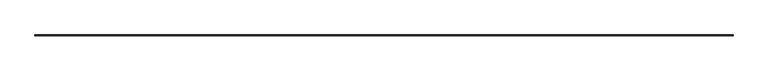
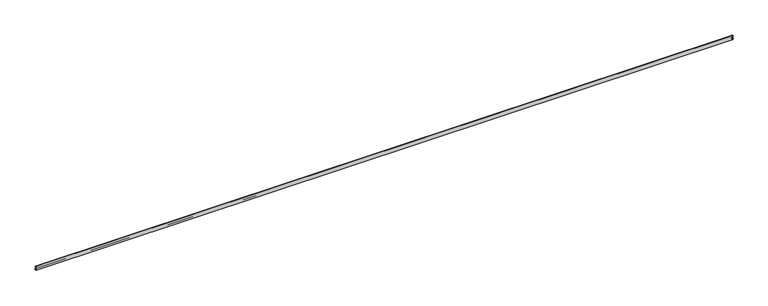
"""IFC4 building model written with IfcOpenShell, lengths in millimetres: railing geometry."""

from ifc_helpers import new_model, si_unit, frame, origin, place, context, project, spatial, polyline, circle_curve, ellipse_curve, source, transform, mapped, element, save
from ifc_brep_helpers import plane_surface, cylinder_surface, revolved_surface, advanced_brep


def railing_8138ef07(model_context):
    return source(origin(), model_context, "Body", "AdvancedBrep", [
        advanced_brep(
        [(25093.5030419, 70164.8132723, 628.2495183), (25095.28959, 70166.5998204, 630.2053183), (6765.6431538, 70166.5998204, 630.2053183), (6767.4297019, 70164.8132723, 628.2495183), (25095.28959, 70166.5998204, 629.1385183), (6765.6431538, 70166.5998204, 629.1385183), (25096.3027406, 70167.612971, 629.1385183), (6764.6300032, 70167.612971, 629.1385183), (25097.2772214, 70168.5874518, 630.2053183), (6763.6555224, 70168.5874518, 630.2053183), (25097.2772214, 70168.5874518, 629.1385183), (6763.6555224, 70168.5874518, 629.1385183), (25098.3290419, 70169.6392723, 629.1385183), (6762.6037019, 70169.6392723, 629.1385183), (25098.3290419, 70169.6392723, 630.6330617), (6762.6037019, 70169.6392723, 630.6330617), (25098.3290419, 70169.6392723, 625.8659749), (6762.6037019, 70169.6392723, 625.8659749), (25098.3290419, 70169.6392723, 627.3605183), (6762.6037019, 70169.6392723, 627.3605183), (25097.2772214, 70168.5874518, 627.3605183), (6763.6555224, 70168.5874518, 627.3605183), (25097.2772214, 70168.5874518, 626.2937183), (6763.6555224, 70168.5874518, 626.2937183), (25096.3027406, 70167.612971, 627.3605183), (6764.6300032, 70167.612971, 627.3605183), (25095.28959, 70166.5998204, 627.3605183), (6765.6431538, 70166.5998204, 627.3605183), (25095.28959, 70166.5998204, 626.2937183), (6765.6431538, 70166.5998204, 626.2937183), (25095.28959, 70144.9828523, 630.2053183), (25093.5030419, 70144.9828523, 628.2495183), (25095.28959, 70144.9828523, 626.2937183), (25095.28959, 70144.9828523, 627.3605183), (25096.3027406, 70144.9828523, 627.3605183), (25097.2772214, 70144.9828523, 626.2937183), (25097.2772214, 70144.9828523, 627.3605183), (25098.3290419, 70144.9828523, 627.3605183), (25098.3290419, 70144.9828523, 625.8659749), (25098.3290419, 70144.9828523, 630.6330617), (25098.3290419, 70144.9828523, 629.1385183), (25097.2772214, 70144.9828523, 629.1385183), (25097.2772214, 70144.9828523, 630.2053183), (25096.3027406, 70144.9828523, 629.1385183), (25095.28959, 70144.9828523, 629.1385183), (6765.6431538, 70144.9828523, 630.2053183), (6765.6431538, 70144.9828523, 629.1385183), (6764.6300032, 70144.9828523, 629.1385183), (6763.6555224, 70144.9828523, 630.2053183), (6763.6555224, 70144.9828523, 629.1385183), (6762.6037019, 70144.9828523, 629.1385183), (6762.6037019, 70144.9828523, 630.6330617), (6762.6037019, 70144.9828523, 625.8659749), (6762.6037019, 70144.9828523, 627.3605183), (6763.6555224, 70144.9828523, 627.3605183), (6763.6555224, 70144.9828523, 626.2937183), (6764.6300032, 70144.9828523, 627.3605183), (6765.6431538, 70144.9828523, 627.3605183), (6765.6431538, 70144.9828523, 626.2937183), (6767.4297019, 70144.9828523, 628.2495183)],
        [
            (0, 1),
            (1, 2),
            (2, 3),
            (3, 0),
            (1, 4),
            (4, 5),
            (5, 2),
            (4, 6),
            (6, 7),
            (7, 5),
            (6, 8),
            (8, 9),
            (9, 7),
            (8, 10),
            (10, 11),
            (11, 9),
            (10, 12),
            (12, 13),
            (13, 11),
            (12, 14),
            (14, 15),
            (15, 13),
            (14, 16, ellipse_curve(frame((25097.7575419, 70169.0677723, 628.2495183), z_axis=(-0.7071067811865461, 0.7071067811865488, 0.0), x_axis=(0.7071067811865489, 0.707106781186546, 0.0)), 3.4663789, 2.4511)),
            (16, 17),
            (17, 15, ellipse_curve(frame((6763.1752019, 70169.0677723, 628.2495183), z_axis=(0.7071067811865488, 0.7071067811865461, 0.0), x_axis=(0.7071067811865462, -0.7071067811865487, 0.0)), 3.4663789, 2.4511)),
            (16, 18),
            (18, 19),
            (19, 17),
            (18, 20),
            (20, 21),
            (21, 19),
            (20, 22),
            (22, 23),
            (23, 21),
            (22, 24),
            (24, 25),
            (25, 23),
            (24, 26),
            (26, 27),
            (27, 25),
            (26, 28),
            (28, 29),
            (29, 27),
            (28, 0),
            (3, 29),
            (30, 31),
            (31, 32),
            (32, 33),
            (33, 34),
            (34, 35),
            (35, 36),
            (36, 37),
            (37, 38),
            (38, 39, circle_curve(frame((25097.7575419, 70144.9828523, 628.2495183), z_axis=(0.0, -1.0, 0.0), x_axis=(0.23316062176171728, 0.0, 0.972438236835476)), 2.4511)),
            (39, 40),
            (40, 41),
            (41, 42),
            (42, 43),
            (43, 44),
            (44, 30),
            (32, 28),
            (26, 33),
            (31, 0),
            (45, 46),
            (46, 47),
            (47, 48),
            (48, 49),
            (49, 50),
            (50, 51),
            (51, 52, circle_curve(frame((6763.1752019, 70144.9828523, 628.2495183), z_axis=(0.0, -1.0, 0.0), x_axis=(-0.23316062176171728, 0.0, 0.972438236835476)), 2.4511)),
            (52, 53),
            (53, 54),
            (54, 55),
            (55, 56),
            (56, 57),
            (57, 58),
            (58, 59),
            (59, 45),
            (29, 58),
            (57, 27),
            (3, 59),
            (30, 1),
            (24, 34),
            (22, 35),
            (20, 36),
            (18, 37),
            (16, 38),
            (14, 39),
            (12, 40),
            (10, 41),
            (8, 42),
            (6, 43),
            (4, 44),
            (2, 45),
            (56, 25),
            (55, 23),
            (54, 21),
            (53, 19),
            (52, 17),
            (51, 15),
            (50, 13),
            (49, 11),
            (48, 9),
            (47, 7),
            (46, 5),
        ],
        [
            plane_surface(frame((25095.28959, 70166.5998204, 630.2053183), z_axis=(0.0, -0.7383317776040185, 0.6744376814651523), x_axis=(-1.0, 0.0, 0.0))),
            plane_surface(frame((25095.28959, 70166.5998204, 629.1385183), z_axis=(0.0, 1.0, 0.0), x_axis=(-1.0, 0.0, 0.0))),
            plane_surface(frame((25096.3027406, 70167.612971, 629.1385183), z_axis=(0.0, 0.0, 1.0), x_axis=(-1.0, 0.0, 0.0))),
            plane_surface(frame((25097.2772214, 70168.5874518, 630.2053183), z_axis=(0.0, -0.7383317776039393, 0.674437681465239), x_axis=(-1.0, 0.0, 0.0))),
            plane_surface(frame((25097.2772214, 70168.5874518, 629.1385183), z_axis=(0.0, 1.0, 0.0), x_axis=(-1.0, 0.0, 0.0))),
            plane_surface(frame((25098.3290419, 70169.6392723, 629.1385183), z_axis=(0.0, 0.0, 1.0), x_axis=(-1.0, 0.0, 0.0))),
            plane_surface(frame((25098.3290419, 70169.6392723, 630.6330617), z_axis=(0.0, -1.0, 0.0), x_axis=(-1.0, 0.0, 0.0))),
            cylinder_surface(frame((25074.4663719, 70169.0677723, 628.2495183), z_axis=(1.0, 0.0, 0.0), x_axis=(0.0, 0.23316062176171728, 0.972438236835476)), 2.4511),
            plane_surface(frame((25098.3290419, 70169.6392723, 627.3605183), z_axis=(0.0, -1.0, 0.0), x_axis=(-1.0, 0.0, 0.0))),
            plane_surface(frame((25097.2772214, 70168.5874518, 627.3605183), z_axis=(0.0, 0.0, -1.0), x_axis=(-1.0, 0.0, 0.0))),
            plane_surface(frame((25097.2772214, 70168.5874518, 626.2937183), z_axis=(0.0, 1.0, 0.0), x_axis=(-1.0, 0.0, 0.0))),
            plane_surface(frame((25096.3027406, 70167.612971, 627.3605183), z_axis=(0.0, -0.7383317776039393, -0.674437681465239), x_axis=(-1.0, 0.0, 0.0))),
            plane_surface(frame((25095.28959, 70166.5998204, 627.3605183), z_axis=(0.0, 0.0, -1.0), x_axis=(-1.0, 0.0, 0.0))),
            plane_surface(frame((25095.28959, 70166.5998204, 626.2937183), z_axis=(0.0, 1.0, 0.0), x_axis=(-1.0, 0.0, 0.0))),
            plane_surface(frame((25093.5030419, 70164.8132723, 628.2495183), z_axis=(0.0, -0.7383317776040185, -0.6744376814651523), x_axis=(-1.0, 0.0, 0.0))),
            plane_surface(frame((25074.4663719, 70144.9828523, 711.2), z_axis=(0.0, -1.0, 0.0), x_axis=(0.0, 0.0, 1.0))),
            plane_surface(frame((25095.28959, 70144.9828523, 626.2937183), z_axis=(1.0, 0.0, 0.0), x_axis=(0.0, 1.0, 0.0))),
            plane_surface(frame((25093.5030419, 70144.9828523, 628.2495183), z_axis=(-0.7383317776040185, 0.0, -0.6744376814651523), x_axis=(0.0, 1.0, 0.0))),
            plane_surface(frame((6786.4663719, 70144.9828523, 711.2), z_axis=(0.0, -1.0, 0.0), x_axis=(0.0, 0.0, -1.0))),
            plane_surface(frame((6765.6431538, 70166.5998204, 626.2937183), z_axis=(-1.0, 0.0, 0.0), x_axis=(0.0, -1.0, 0.0))),
            plane_surface(frame((6767.4297019, 70164.8132723, 628.2495183), z_axis=(0.7383317776040185, 0.0, -0.6744376814651523), x_axis=(0.0, -1.0, 0.0))),
            plane_surface(frame((25095.28959, 70144.9828523, 630.2053183), z_axis=(-0.7383317776040185, 0.0, 0.6744376814651523), x_axis=(0.0, 1.0, 0.0))),
            plane_surface(frame((25095.28959, 70144.9828523, 627.3605183), z_axis=(0.0, 0.0, -1.0), x_axis=(0.0, 1.0, 0.0))),
            plane_surface(frame((25096.3027406, 70144.9828523, 627.3605183), z_axis=(-0.7383317776039393, 0.0, -0.674437681465239), x_axis=(0.0, 1.0, 0.0))),
            plane_surface(frame((25097.2772214, 70144.9828523, 626.2937183), z_axis=(1.0, 0.0, 0.0), x_axis=(0.0, 1.0, 0.0))),
            plane_surface(frame((25097.2772214, 70144.9828523, 627.3605183), z_axis=(0.0, 0.0, -1.0), x_axis=(0.0, 1.0, 0.0))),
            plane_surface(frame((25098.3290419, 70144.9828523, 627.3605183), z_axis=(-1.0, 0.0, 0.0), x_axis=(0.0, 1.0, 0.0))),
            cylinder_surface(frame((25097.7575419, 70144.9828523, 628.2495183), z_axis=(0.0, -1.0, 0.0), x_axis=(0.23316062176171728, 0.0, 0.972438236835476)), 2.4511),
            plane_surface(frame((25098.3290419, 70144.9828523, 630.6330617), z_axis=(-1.0, 0.0, 0.0), x_axis=(0.0, 1.0, 0.0))),
            plane_surface(frame((25098.3290419, 70144.9828523, 629.1385183), z_axis=(0.0, 0.0, 1.0), x_axis=(0.0, 1.0, 0.0))),
            plane_surface(frame((25097.2772214, 70144.9828523, 629.1385183), z_axis=(1.0, 0.0, 0.0), x_axis=(0.0, 1.0, 0.0))),
            plane_surface(frame((25097.2772214, 70144.9828523, 630.2053183), z_axis=(-0.7383317776039393, 0.0, 0.674437681465239), x_axis=(0.0, 1.0, 0.0))),
            plane_surface(frame((25096.3027406, 70144.9828523, 629.1385183), z_axis=(0.0, 0.0, 1.0), x_axis=(0.0, 1.0, 0.0))),
            plane_surface(frame((25095.28959, 70144.9828523, 629.1385183), z_axis=(1.0, 0.0, 0.0), x_axis=(0.0, 1.0, 0.0))),
            plane_surface(frame((6765.6431538, 70166.5998204, 630.2053183), z_axis=(0.7383317776040185, 0.0, 0.6744376814651523), x_axis=(0.0, -1.0, 0.0))),
            plane_surface(frame((6765.6431538, 70166.5998204, 627.3605183), z_axis=(0.0, 0.0, -1.0), x_axis=(0.0, -1.0, 0.0))),
            plane_surface(frame((6764.6300032, 70167.612971, 627.3605183), z_axis=(0.7383317776039393, 0.0, -0.674437681465239), x_axis=(0.0, -1.0, 0.0))),
            plane_surface(frame((6763.6555224, 70168.5874518, 626.2937183), z_axis=(-1.0, 0.0, 0.0), x_axis=(0.0, -1.0, 0.0))),
            plane_surface(frame((6763.6555224, 70168.5874518, 627.3605183), z_axis=(0.0, 0.0, -1.0), x_axis=(0.0, -1.0, 0.0))),
            plane_surface(frame((6762.6037019, 70169.6392723, 627.3605183), z_axis=(1.0, 0.0, 0.0), x_axis=(0.0, -1.0, 0.0))),
            cylinder_surface(frame((6763.1752019, 70145.7766023, 628.2495183), z_axis=(0.0, 1.0, 0.0), x_axis=(-0.23316062176171728, 0.0, 0.972438236835476)), 2.4511),
            plane_surface(frame((6762.6037019, 70169.6392723, 630.6330617), z_axis=(1.0, 0.0, 0.0), x_axis=(0.0, -1.0, 0.0))),
            plane_surface(frame((6762.6037019, 70169.6392723, 629.1385183), z_axis=(0.0, 0.0, 1.0), x_axis=(0.0, -1.0, 0.0))),
            plane_surface(frame((6763.6555224, 70168.5874518, 629.1385183), z_axis=(-1.0, 0.0, 0.0), x_axis=(0.0, -1.0, 0.0))),
            plane_surface(frame((6763.6555224, 70168.5874518, 630.2053183), z_axis=(0.7383317776039393, 0.0, 0.674437681465239), x_axis=(0.0, -1.0, 0.0))),
            plane_surface(frame((6764.6300032, 70167.612971, 629.1385183), z_axis=(0.0, 0.0, 1.0), x_axis=(0.0, -1.0, 0.0))),
            plane_surface(frame((6765.6431538, 70166.5998204, 629.1385183), z_axis=(-1.0, 0.0, 0.0), x_axis=(0.0, -1.0, 0.0))),
        ],
        [
            (0, [[1, 2, 3, 4]]),
            (1, [[5, 6, 7, -2]]),
            (2, [[8, 9, 10, -6]]),
            (3, [[11, 12, 13, -9]]),
            (4, [[14, 15, 16, -12]]),
            (5, [[17, 18, 19, -15]]),
            (6, [[20, 21, 22, -18]]),
            (7, [[23, 24, 25, -21]]),
            (8, [[26, 27, 28, -24]]),
            (9, [[29, 30, 31, -27]]),
            (10, [[32, 33, 34, -30]]),
            (11, [[35, 36, 37, -33]]),
            (12, [[38, 39, 40, -36]]),
            (13, [[41, 42, 43, -39]]),
            (14, [[44, -4, 45, -42]]),
            (15, [[46, 47, 48, 49, 50, 51, 52, 53, 54, 55, 56, 57, 58, 59, 60]]),
            (16, [[-48, 61, -41, 62]]),
            (17, [[-47, 63, -44, -61]]),
            (18, [[64, 65, 66, 67, 68, 69, 70, 71, 72, 73, 74, 75, 76, 77, 78]]),
            (19, [[-43, 79, -76, 80]]),
            (20, [[-45, 81, -77, -79]]),
            (21, [[-46, 82, -1, -63]]),
            (22, [[-49, -62, -38, 83]]),
            (23, [[-50, -83, -35, 84]]),
            (24, [[-51, -84, -32, 85]]),
            (25, [[-52, -85, -29, 86]]),
            (26, [[-53, -86, -26, 87]]),
            (27, [[-54, -87, -23, 88]]),
            (28, [[-55, -88, -20, 89]]),
            (29, [[-56, -89, -17, 90]]),
            (30, [[-57, -90, -14, 91]]),
            (31, [[-58, -91, -11, 92]]),
            (32, [[-59, -92, -8, 93]]),
            (33, [[-60, -93, -5, -82]]),
            (34, [[-3, 94, -78, -81]]),
            (35, [[-40, -80, -75, 95]]),
            (36, [[-37, -95, -74, 96]]),
            (37, [[-34, -96, -73, 97]]),
            (38, [[-31, -97, -72, 98]]),
            (39, [[-28, -98, -71, 99]]),
            (40, [[-25, -99, -70, 100]]),
            (41, [[-22, -100, -69, 101]]),
            (42, [[-19, -101, -68, 102]]),
            (43, [[-16, -102, -67, 103]]),
            (44, [[-13, -103, -66, 104]]),
            (45, [[-10, -104, -65, 105]]),
            (46, [[-7, -105, -64, -94]]),
        ],
    ),
        advanced_brep(
        [(25096.9235713, 70144.9828523, 634.9946672), (25084.8450539, 70144.9828523, 677.657434), (25085.3739098, 70144.9828523, 678.5316951), (25088.5517246, 70144.9828523, 683.7467091), (25089.0204444, 70144.9828523, 684.5923437), (25091.6652084, 70144.9828523, 690.39164), (25092.1400859, 70144.9828523, 691.3720659), (25098.2788719, 70144.9828523, 700.2748284), (25098.2788719, 70144.9828523, 702.46875), (25089.5476219, 70144.9828523, 711.2), (25074.4663719, 70144.9828523, 711.2), (25074.4663719, 70144.9828523, 596.9), (25085.0073719, 70144.9828523, 596.9), (25090.5636219, 70144.9828523, 602.45625), (25090.5636219, 70144.9828523, 607.3037049), (25091.7838967, 70144.9828523, 609.805639), (25092.8651668, 70144.9828523, 613.2367436), (25093.5590551, 70144.9828523, 616.3095463), (25098.2065631, 70144.9828523, 626.6620183), (25090.5865631, 70144.9828523, 626.6620183), (25090.5865631, 70144.9828523, 629.8370183), (25098.2065631, 70144.9828523, 629.8370183), (6764.0091725, 70144.9828523, 634.9946672), (6762.7261807, 70144.9828523, 629.8370183), (6770.3461807, 70144.9828523, 629.8370183), (6770.3461807, 70144.9828523, 626.6620183), (6762.7261807, 70144.9828523, 626.6620183), (6767.3736887, 70144.9828523, 616.3095463), (6768.067577, 70144.9828523, 613.2367436), (6769.1488471, 70144.9828523, 609.805639), (6770.3691219, 70144.9828523, 607.3037049), (6770.3691219, 70144.9828523, 602.45625), (6775.9253719, 70144.9828523, 596.9), (6786.4663719, 70144.9828523, 596.9), (6786.4663719, 70144.9828523, 711.2), (6771.3851219, 70144.9828523, 711.2), (6762.6538719, 70144.9828523, 702.46875), (6762.6538719, 70144.9828523, 700.2748284), (6768.7926579, 70144.9828523, 691.3720659), (6769.2675355, 70144.9828523, 690.39164), (6771.9122995, 70144.9828523, 684.5923437), (6772.3810193, 70144.9828523, 683.7467091), (6775.558834, 70144.9828523, 678.5316951), (6776.0876899, 70144.9828523, 677.657434), (25096.9235713, 70168.2338017, 634.9946672), (25098.2065631, 70169.5167935, 629.8370183), (6762.7261807, 70169.5167935, 629.8370183), (6764.0091725, 70168.2338017, 634.9946672), (25093.5590551, 70164.8692855, 616.3095463), (25092.8651668, 70164.1753972, 613.2367436), (6768.067577, 70164.1753972, 613.2367436), (6767.3736887, 70164.8692855, 616.3095463), (25091.7838967, 70163.0941271, 609.805639), (6769.1488471, 70163.0941271, 609.805639), (25090.5636219, 70161.8738523, 607.3037049), (6770.3691219, 70161.8738523, 607.3037049), (25090.5636219, 70161.8738523, 602.45625), (6770.3691219, 70161.8738523, 602.45625), (25085.0073719, 70156.3176023, 596.9), (6775.9253719, 70156.3176023, 596.9), (25074.4663719, 70145.7766023, 596.9), (6786.4663719, 70145.7766023, 596.9), (25074.4663719, 70145.7766023, 711.2), (6786.4663719, 70145.7766023, 711.2), (25089.5476219, 70160.8578523, 711.2), (6771.3851219, 70160.8578523, 711.2), (25098.2788719, 70169.5891023, 702.46875), (6762.6538719, 70169.5891023, 702.46875), (25098.2788719, 70169.5891023, 700.2748284), (6762.6538719, 70169.5891023, 700.2748284), (25092.1400859, 70163.4503163, 691.3720659), (6768.7926579, 70163.4503163, 691.3720659), (25091.6652084, 70162.9754388, 690.39164), (6769.2675355, 70162.9754388, 690.39164), (25089.0204444, 70160.3306747, 684.5923437), (6771.9122995, 70160.3306747, 684.5923437), (25088.5517246, 70159.8619549, 683.7467091), (6772.3810193, 70159.8619549, 683.7467091), (25085.3739098, 70156.6841402, 678.5316951), (6775.558834, 70156.6841402, 678.5316951), (25084.8450539, 70156.1552843, 677.657434), (6776.0876899, 70156.1552843, 677.657434), (25090.5865631, 70161.8967935, 629.8370183), (6770.3461807, 70161.8967935, 629.8370183), (25090.5865631, 70161.8967935, 626.6620183), (6770.3461807, 70161.8967935, 626.6620183), (25098.2065631, 70169.5167935, 626.6620183), (6762.7261807, 70169.5167935, 626.6620183)],
        [
            (0, 1, circle_curve(frame((25266.7813106, 70144.9828523, 706.1253279), z_axis=(0.0, 1.0, 0.0), x_axis=(-0.9879785867328373, 0.0, -0.15459078936788356)), 184.15)),
            (1, 2, circle_curve(frame((25085.6292619, 70144.9828523, 677.7801405), z_axis=(0.0, 1.0, 0.0), x_axis=(-0.32170338998640735, 0.0, 0.9468404981153128)), 0.79375)),
            (2, 3, circle_curve(frame((25083.8417974, 70144.9828523, 683.041023), z_axis=(0.0, -1.0, 0.0), x_axis=(0.9889610745416129, 0.0, 0.14817554805533395)), 4.7625)),
            (3, 4, circle_curve(frame((25089.3367124, 70144.9828523, 683.8643234), z_axis=(0.0, 1.0, 0.0), x_axis=(-0.39844793511985266, 0.0, 0.9171909523096735)), 0.79375)),
            (4, 5, circle_curve(frame((25087.1228361, 70144.9828523, 688.9604656), z_axis=(0.0, -1.0, 0.0), x_axis=(0.9537789610497382, 0.0, 0.30050905719941606)), 4.7625)),
            (5, 6, circle_curve(frame((25092.4222704, 70144.9828523, 690.6301691), z_axis=(0.0, 1.0, 0.0), x_axis=(-0.3555080317940694, 0.0, 0.934673225961837)), 0.79375)),
            (6, 7, circle_curve(frame((25088.7538719, 70144.9828523, 700.2748284), z_axis=(0.0, -1.0, 0.0), x_axis=(1.0, 0.0, 0.0)), 9.525)),
            (7, 8),
            (8, 9, circle_curve(frame((25089.5476219, 70144.9828523, 702.46875), z_axis=(0.0, -1.0, 0.0), x_axis=(0.0, 0.0, 1.0)), 8.73125)),
            (9, 10),
            (10, 11),
            (11, 12),
            (12, 13, circle_curve(frame((25085.0073719, 70144.9828523, 602.45625), z_axis=(0.0, -1.0, 0.0), x_axis=(1.0, 0.0, 0.0)), 5.55625)),
            (13, 14),
            (14, 15, circle_curve(frame((25093.7386219, 70144.9828523, 607.3037049), z_axis=(0.0, 1.0, 0.0), x_axis=(-0.6156614753254914, 0.0, 0.7880107536068524)), 3.175)),
            (15, 16, circle_curve(frame((25089.8291715, 70144.9828523, 612.3075732), z_axis=(0.0, -1.0, 0.0), x_axis=(0.9562189885214569, 0.0, 0.29265209035816225)), 3.175)),
            (16, 17, circle_curve(frame((25095.9011621, 70144.9828523, 614.1659139), z_axis=(0.0, 1.0, 0.0), x_axis=(-0.7376715092217798, 0.0, 0.6751597918141022)), 3.175)),
            (17, 18, circle_curve(frame((25080.8163719, 70144.9828523, 628.2495183), z_axis=(0.0, -1.0, 0.0), x_axis=(0.9223879408472844, 0.0, 0.3862647881693419)), 17.4625)),
            (18, 19),
            (19, 20),
            (20, 21),
            (21, 0, circle_curve(frame((25080.8163719, 70144.9828523, 628.2495183), z_axis=(0.0, -1.0, 0.0), x_axis=(0.9223879408472844, 0.0, 0.3862647881693419)), 17.4625)),
            (22, 23, circle_curve(frame((6780.1163719, 70144.9828523, 628.2495183), z_axis=(0.0, -1.0, 0.0), x_axis=(-0.9223879408472844, 0.0, 0.3862647881693419)), 17.4625)),
            (23, 24),
            (24, 25),
            (25, 26),
            (26, 27, circle_curve(frame((6780.1163719, 70144.9828523, 628.2495183), z_axis=(0.0, -1.0, 0.0), x_axis=(-0.9223879408472844, 0.0, 0.3862647881693419)), 17.4625)),
            (27, 28, circle_curve(frame((6765.0315817, 70144.9828523, 614.1659139), z_axis=(0.0, 1.0, 0.0), x_axis=(0.7376715092217798, 0.0, 0.6751597918141022)), 3.175)),
            (28, 29, circle_curve(frame((6771.1035723, 70144.9828523, 612.3075732), z_axis=(0.0, -1.0, 0.0), x_axis=(-0.9562189885214569, 0.0, 0.29265209035816225)), 3.175)),
            (29, 30, circle_curve(frame((6767.1941219, 70144.9828523, 607.3037049), z_axis=(0.0, 1.0, 0.0), x_axis=(0.6156614753254914, 0.0, 0.7880107536068524)), 3.175)),
            (30, 31),
            (31, 32, circle_curve(frame((6775.9253719, 70144.9828523, 602.45625), z_axis=(0.0, -1.0, 0.0), x_axis=(-1.0, 0.0, 0.0)), 5.55625)),
            (32, 33),
            (33, 34),
            (34, 35),
            (35, 36, circle_curve(frame((6771.3851219, 70144.9828523, 702.46875), z_axis=(0.0, -1.0, 0.0), x_axis=(0.0, 0.0, 1.0)), 8.73125)),
            (36, 37),
            (37, 38, circle_curve(frame((6772.1788719, 70144.9828523, 700.2748284), z_axis=(0.0, -1.0, 0.0), x_axis=(-1.0, 0.0, 0.0)), 9.525)),
            (38, 39, circle_curve(frame((6768.5104734, 70144.9828523, 690.6301691), z_axis=(0.0, 1.0, 0.0), x_axis=(0.3555080317940694, 0.0, 0.934673225961837)), 0.79375)),
            (39, 40, circle_curve(frame((6773.8099078, 70144.9828523, 688.9604656), z_axis=(0.0, -1.0, 0.0), x_axis=(-0.9537789610497382, 0.0, 0.30050905719941606)), 4.7625)),
            (40, 41, circle_curve(frame((6771.5960314, 70144.9828523, 683.8643234), z_axis=(0.0, 1.0, 0.0), x_axis=(0.39844793511985266, 0.0, 0.9171909523096735)), 0.79375)),
            (41, 42, circle_curve(frame((6777.0909464, 70144.9828523, 683.041023), z_axis=(0.0, -1.0, 0.0), x_axis=(-0.9889610745416129, 0.0, 0.14817554805533395)), 4.7625)),
            (42, 43, circle_curve(frame((6775.3034819, 70144.9828523, 677.7801405), z_axis=(0.0, 1.0, 0.0), x_axis=(0.32170338998640735, 0.0, 0.9468404981153128)), 0.79375)),
            (43, 22, circle_curve(frame((6594.1514332, 70144.9828523, 706.1253279), z_axis=(0.0, 1.0, 0.0), x_axis=(0.9879785867328373, 0.0, -0.15459078936788356)), 184.15)),
            (44, 45, ellipse_curve(frame((25080.8163719, 70152.1266023, 628.2495183), z_axis=(-0.7071067811865461, 0.7071067811865488, 0.0), x_axis=(0.7071067811865489, 0.707106781186546, 0.0)), 24.6957043, 17.4625)),
            (45, 46),
            (46, 47, ellipse_curve(frame((6780.1163719, 70152.1266023, 628.2495183), z_axis=(0.7071067811865488, 0.7071067811865461, 0.0), x_axis=(0.7071067811865462, -0.7071067811865487, 0.0)), 24.6957043, 17.4625)),
            (47, 44),
            (48, 49, ellipse_curve(frame((25095.9011621, 70167.2113925, 614.1659139), z_axis=(0.7071067811865461, -0.7071067811865488, 0.0), x_axis=(-0.7071067811865489, -0.707106781186546, 0.0)), 4.4901281, 3.175)),
            (49, 50),
            (50, 51, ellipse_curve(frame((6765.0315817, 70167.2113925, 614.1659139), z_axis=(-0.7071067811865488, -0.7071067811865461, 0.0), x_axis=(-0.7071067811865462, 0.7071067811865487, 0.0)), 4.4901281, 3.175)),
            (51, 48),
            (49, 52, ellipse_curve(frame((25089.8291715, 70161.1394019, 612.3075732), z_axis=(-0.7071067811865461, 0.7071067811865488, 0.0), x_axis=(0.7071067811865489, 0.707106781186546, 0.0)), 4.4901281, 3.175)),
            (52, 53),
            (53, 50, ellipse_curve(frame((6771.1035723, 70161.1394019, 612.3075732), z_axis=(0.7071067811865488, 0.7071067811865461, 0.0), x_axis=(0.7071067811865462, -0.7071067811865487, 0.0)), 4.4901281, 3.175)),
            (52, 54, ellipse_curve(frame((25093.7386219, 70165.0488523, 607.3037049), z_axis=(0.7071067811865461, -0.7071067811865488, 0.0), x_axis=(-0.7071067811865489, -0.707106781186546, 0.0)), 4.4901281, 3.175)),
            (54, 55),
            (55, 53, ellipse_curve(frame((6767.1941219, 70165.0488523, 607.3037049), z_axis=(-0.7071067811865488, -0.7071067811865461, 0.0), x_axis=(-0.7071067811865462, 0.7071067811865487, 0.0)), 4.4901281, 3.175)),
            (54, 56),
            (56, 57),
            (57, 55),
            (56, 58, ellipse_curve(frame((25085.0073719, 70156.3176023, 602.45625), z_axis=(-0.7071067811865461, 0.7071067811865488, 0.0), x_axis=(0.7071067811865489, 0.707106781186546, 0.0)), 7.8577241, 5.55625)),
            (58, 59),
            (59, 57, ellipse_curve(frame((6775.9253719, 70156.3176023, 602.45625), z_axis=(0.7071067811865488, 0.7071067811865461, 0.0), x_axis=(0.7071067811865462, -0.7071067811865487, 0.0)), 7.8577241, 5.55625)),
            (58, 60),
            (60, 61),
            (61, 59),
            (60, 62),
            (62, 63),
            (63, 61),
            (62, 64),
            (64, 65),
            (65, 63),
            (64, 66, ellipse_curve(frame((25089.5476219, 70160.8578523, 702.46875), z_axis=(-0.7071067811865461, 0.7071067811865488, 0.0), x_axis=(0.7071067811865489, 0.707106781186546, 0.0)), 12.3478522, 8.73125)),
            (66, 67),
            (67, 65, ellipse_curve(frame((6771.3851219, 70160.8578523, 702.46875), z_axis=(0.7071067811865488, 0.7071067811865461, 0.0), x_axis=(0.7071067811865462, -0.7071067811865487, 0.0)), 12.3478522, 8.73125)),
            (66, 68),
            (68, 69),
            (69, 67),
            (68, 70, ellipse_curve(frame((25088.7538719, 70160.0641023, 700.2748284), z_axis=(-0.7071067811865461, 0.7071067811865488, 0.0), x_axis=(0.7071067811865489, 0.707106781186546, 0.0)), 13.4703842, 9.525)),
            (70, 71),
            (71, 69, ellipse_curve(frame((6772.1788719, 70160.0641023, 700.2748284), z_axis=(0.7071067811865488, 0.7071067811865461, 0.0), x_axis=(0.7071067811865462, -0.7071067811865487, 0.0)), 13.4703842, 9.525)),
            (70, 72, ellipse_curve(frame((25092.4222704, 70163.7325008, 690.6301691), z_axis=(0.7071067811865461, -0.7071067811865488, 0.0), x_axis=(-0.7071067811865489, -0.707106781186546, 0.0)), 1.122532, 0.79375)),
            (72, 73),
            (73, 71, ellipse_curve(frame((6768.5104734, 70163.7325008, 690.6301691), z_axis=(-0.7071067811865488, -0.7071067811865461, 0.0), x_axis=(-0.7071067811865462, 0.7071067811865487, 0.0)), 1.122532, 0.79375)),
            (72, 74, ellipse_curve(frame((25087.1228361, 70158.4330665, 688.9604656), z_axis=(-0.7071067811865461, 0.7071067811865488, 0.0), x_axis=(0.7071067811865489, 0.707106781186546, 0.0)), 6.7351921, 4.7625)),
            (74, 75),
            (75, 73, ellipse_curve(frame((6773.8099078, 70158.4330665, 688.9604656), z_axis=(0.7071067811865488, 0.7071067811865461, 0.0), x_axis=(0.7071067811865462, -0.7071067811865487, 0.0)), 6.7351921, 4.7625)),
            (74, 76, ellipse_curve(frame((25089.3367124, 70160.6469428, 683.8643234), z_axis=(0.7071067811865461, -0.7071067811865488, 0.0), x_axis=(-0.7071067811865489, -0.707106781186546, 0.0)), 1.122532, 0.79375)),
            (76, 77),
            (77, 75, ellipse_curve(frame((6771.5960314, 70160.6469428, 683.8643234), z_axis=(-0.7071067811865488, -0.7071067811865461, 0.0), x_axis=(-0.7071067811865462, 0.7071067811865487, 0.0)), 1.122532, 0.79375)),
            (76, 78, ellipse_curve(frame((25083.8417974, 70155.1520278, 683.041023), z_axis=(-0.7071067811865461, 0.7071067811865488, 0.0), x_axis=(0.7071067811865489, 0.707106781186546, 0.0)), 6.7351921, 4.7625)),
            (78, 79),
            (79, 77, ellipse_curve(frame((6777.0909464, 70155.1520278, 683.041023), z_axis=(0.7071067811865488, 0.7071067811865461, 0.0), x_axis=(0.7071067811865462, -0.7071067811865487, 0.0)), 6.7351921, 4.7625)),
            (78, 80, ellipse_curve(frame((25085.6292619, 70156.9394923, 677.7801405), z_axis=(0.7071067811865461, -0.7071067811865488, 0.0), x_axis=(-0.7071067811865489, -0.707106781186546, 0.0)), 1.122532, 0.79375)),
            (80, 81),
            (81, 79, ellipse_curve(frame((6775.3034819, 70156.9394923, 677.7801405), z_axis=(-0.7071067811865488, -0.7071067811865461, 0.0), x_axis=(-0.7071067811865462, 0.7071067811865487, 0.0)), 1.122532, 0.79375)),
            (45, 82),
            (82, 83),
            (83, 46),
            (82, 84),
            (84, 85),
            (85, 83),
            (84, 86),
            (86, 87),
            (87, 85),
            (86, 48, ellipse_curve(frame((25080.8163719, 70152.1266023, 628.2495183), z_axis=(-0.7071067811865461, 0.7071067811865488, 0.0), x_axis=(0.7071067811865489, 0.707106781186546, 0.0)), 24.6957043, 17.4625)),
            (51, 87, ellipse_curve(frame((6780.1163719, 70152.1266023, 628.2495183), z_axis=(0.7071067811865488, 0.7071067811865461, 0.0), x_axis=(0.7071067811865462, -0.7071067811865487, 0.0)), 24.6957043, 17.4625)),
            (80, 44, ellipse_curve(frame((25266.7813106, 70338.091541, 706.1253279), z_axis=(0.7071067811865461, -0.7071067811865488, 0.0), x_axis=(-0.7071067811865489, -0.707106781186546, 0.0)), 260.4274275, 184.15)),
            (47, 81, ellipse_curve(frame((6594.1514332, 70338.091541, 706.1253279), z_axis=(-0.7071067811865488, -0.7071067811865461, 0.0), x_axis=(-0.7071067811865462, 0.7071067811865487, 0.0)), 260.4274275, 184.15)),
            (0, 44),
            (80, 1),
            (21, 45),
            (47, 22),
            (43, 81),
            (46, 23),
            (78, 2),
            (76, 3),
            (74, 4),
            (72, 5),
            (70, 6),
            (68, 7),
            (66, 8),
            (64, 9),
            (62, 10),
            (60, 11),
            (58, 12),
            (56, 13),
            (54, 14),
            (52, 15),
            (49, 16),
            (48, 17),
            (42, 79),
            (41, 77),
            (40, 75),
            (39, 73),
            (38, 71),
            (37, 69),
            (36, 67),
            (35, 65),
            (34, 63),
            (33, 61),
            (32, 59),
            (31, 57),
            (30, 55),
            (29, 53),
            (28, 50),
            (27, 51),
            (86, 18),
            (84, 19),
            (82, 20),
            (26, 87),
            (25, 85),
            (24, 83),
        ],
        [
            plane_surface(frame((25074.4663719, 70144.9828523, 711.2), z_axis=(0.0, -1.0, 0.0), x_axis=(0.0, 0.0, 1.0))),
            plane_surface(frame((6786.4663719, 70144.9828523, 711.2), z_axis=(0.0, -1.0, 0.0), x_axis=(0.0, 0.0, -1.0))),
            cylinder_surface(frame((25074.4663719, 70152.1266023, 628.2495183), z_axis=(1.0, 0.0, 0.0), x_axis=(0.0, 0.9223879408472844, 0.3862647881693419)), 17.4625),
            revolved_surface(polyline([(6761.8565816720875, 70164.86928545822, 616.3095462390097), (25099.076162127905, 70164.86928545822, 616.3095462390097)]), (25074.4663719, 70167.2113925, 614.1659139), (-1.0000000000000002, 0.0, 0.0)),
            cylinder_surface(frame((25074.4663719, 70161.1394019, 612.3075732), z_axis=(1.0, 0.0, 0.0), x_axis=(0.0, 0.9562189885214569, 0.29265209035816225)), 3.175),
            revolved_surface(polyline([(6764.019121872094, 70163.09412711584, 609.8056390427017), (25096.913621927906, 70163.09412711584, 609.8056390427017)]), (25074.4663719, 70165.0488523, 607.3037049), (-1.0, 0.0, 0.0)),
            plane_surface(frame((25090.5636219, 70161.8738523, 602.45625), z_axis=(0.0, 1.0, 0.0), x_axis=(-1.0, 0.0, 0.0))),
            cylinder_surface(frame((25074.4663719, 70156.3176023, 602.45625), z_axis=(1.0, 0.0, 0.0), x_axis=(0.0, 1.0, 0.0)), 5.55625),
            plane_surface(frame((25074.4663719, 70145.7766023, 596.9), z_axis=(0.0, 0.0, -1.0), x_axis=(-1.0, 0.0, 0.0))),
            plane_surface(frame((25074.4663719, 70145.7766023, 711.2), z_axis=(0.0, -1.0, 0.0), x_axis=(-1.0, 0.0, 0.0))),
            plane_surface(frame((25089.5476219, 70160.8578523, 711.2), z_axis=(0.0, 0.0, 1.0), x_axis=(-1.0, 0.0, 0.0))),
            cylinder_surface(frame((25074.4663719, 70160.8578523, 702.46875), z_axis=(1.0, 0.0, 0.0), x_axis=(0.0, 0.0, 1.0)), 8.73125),
            plane_surface(frame((25098.2788719, 70169.5891023, 700.2748284), z_axis=(0.0, 1.0, 0.0), x_axis=(-1.0, 0.0, 0.0))),
            cylinder_surface(frame((25074.4663719, 70160.0641023, 700.2748284), z_axis=(1.0, 0.0, 0.0), x_axis=(0.0, 1.0, 0.0)), 9.525),
            revolved_surface(polyline([(6767.716723410696, 70163.45031629977, 691.3720659731072), (25093.216020389296, 70163.45031629977, 691.3720659731072)]), (25074.4663719, 70163.7325008, 690.6301691), (-1.0000000000000002, 0.0, 0.0)),
            cylinder_surface(frame((25074.4663719, 70158.4330665, 688.9604656), z_axis=(1.0, 0.0, 0.0), x_axis=(0.0, 0.9537789610497382, 0.30050905719941606)), 4.7625),
            revolved_surface(polyline([(6770.802281410703, 70160.3306747515, 684.5923437183958), (25090.130462389297, 70160.3306747515, 684.5923437183958)]), (25074.4663719, 70160.6469428, 683.8643234), (-1.0, 0.0, 0.0)),
            cylinder_surface(frame((25074.4663719, 70155.1520278, 683.041023), z_axis=(1.0000000000000002, 0.0, 0.0), x_axis=(0.0, 0.9889610745416129, 0.14817554805533395)), 4.7625),
            revolved_surface(polyline([(6774.509731910701, 70156.68414023421, 678.531695145379), (25086.4230118893, 70156.68414023421, 678.531695145379)]), (25074.4663719, 70156.9394923, 677.7801405), (-1.0, 0.0, 0.0)),
            plane_surface(frame((25090.5865631, 70161.8967935, 629.8370183), z_axis=(0.0, 0.0, -1.0), x_axis=(-1.0, 0.0, 0.0))),
            plane_surface(frame((25090.5865631, 70161.8967935, 626.6620183), z_axis=(0.0, 1.0, 0.0), x_axis=(-1.0, 0.0, 0.0))),
            plane_surface(frame((25098.2065631, 70169.5167935, 626.6620183), z_axis=(0.0, 0.0, 1.0), x_axis=(-1.0, 0.0, 0.0))),
            revolved_surface(polyline([(6410.001433207784, 70156.15528425315, 677.6574340379043), (25450.93131059222, 70156.15528425315, 677.6574340379043)]), (25074.4663719, 70338.091541, 706.1253279), (-1.0, 0.0, 0.0)),
            revolved_surface(polyline([(25084.845053853147, 70522.24154099223, 677.6574340379043), (25084.845053853147, 70144.9828523, 677.6574340379043)]), (25266.7813106, 70144.9828523, 706.1253279), (0.0, 1.0, 0.0)),
            cylinder_surface(frame((25080.8163719, 70144.9828523, 628.2495183), z_axis=(0.0, -1.0, 0.0), x_axis=(0.9223879408472844, 0.0, 0.3862647881693419)), 17.4625),
            revolved_surface(polyline([(6776.087689946851, 70144.9828523, 677.6574340379043), (6776.087689946851, 70522.24154099223, 677.6574340379043)]), (6594.1514332, 70145.7766023, 706.1253279), (0.0, -1.0, 0.0)),
            cylinder_surface(frame((6780.1163719, 70145.7766023, 628.2495183), z_axis=(0.0, 1.0, 0.0), x_axis=(-0.9223879408472844, 0.0, 0.3862647881693419)), 17.4625),
            revolved_surface(polyline([(25085.3739098342, 70157.73324228931, 678.531695145379), (25085.3739098342, 70144.9828523, 678.531695145379)]), (25085.6292619, 70144.9828523, 677.7801405), (0.0, 1.0, 0.0)),
            cylinder_surface(frame((25083.8417974, 70144.9828523, 683.041023), z_axis=(0.0, -1.0000000000000002, 0.0), x_axis=(0.9889610745416129, 0.0, 0.14817554805533395)), 4.7625),
            revolved_surface(polyline([(25089.0204443515, 70161.4406927893, 684.5923437183958), (25089.0204443515, 70144.9828523, 684.5923437183958)]), (25089.3367124, 70144.9828523, 683.8643234), (0.0, 1.0, 0.0)),
            cylinder_surface(frame((25087.1228361, 70144.9828523, 688.9604656), z_axis=(0.0, -1.0, 0.0), x_axis=(0.9537789610497382, 0.0, 0.30050905719941606)), 4.7625),
            revolved_surface(polyline([(25092.140085899762, 70164.5262507893, 691.3720659731072), (25092.140085899762, 70144.9828523, 691.3720659731072)]), (25092.4222704, 70144.9828523, 690.6301691), (0.0, 1.0000000000000002, 0.0)),
            cylinder_surface(frame((25088.7538719, 70144.9828523, 700.2748284), z_axis=(0.0, -1.0, 0.0), x_axis=(1.0, 0.0, 0.0)), 9.525),
            plane_surface(frame((25098.2788719, 70144.9828523, 700.2748284), z_axis=(1.0, 0.0, 0.0), x_axis=(0.0, 1.0, 0.0))),
            cylinder_surface(frame((25089.5476219, 70144.9828523, 702.46875), z_axis=(0.0, -1.0, 0.0), x_axis=(0.0, 0.0, 1.0)), 8.73125),
            plane_surface(frame((25089.5476219, 70144.9828523, 711.2), z_axis=(0.0, 0.0, 1.0), x_axis=(0.0, 1.0, 0.0))),
            plane_surface(frame((25074.4663719, 70144.9828523, 711.2), z_axis=(-1.0, 0.0, 0.0), x_axis=(0.0, 1.0, 0.0))),
            plane_surface(frame((25074.4663719, 70144.9828523, 596.9), z_axis=(0.0, 0.0, -1.0), x_axis=(0.0, 1.0, 0.0))),
            cylinder_surface(frame((25085.0073719, 70144.9828523, 602.45625), z_axis=(0.0, -1.0, 0.0), x_axis=(1.0, 0.0, 0.0)), 5.55625),
            plane_surface(frame((25090.5636219, 70144.9828523, 602.45625), z_axis=(1.0, 0.0, 0.0), x_axis=(0.0, 1.0, 0.0))),
            revolved_surface(polyline([(25091.783896715842, 70168.22385232791, 609.8056390427017), (25091.783896715842, 70144.9828523, 609.8056390427017)]), (25093.7386219, 70144.9828523, 607.3037049), (0.0, 1.0, 0.0)),
            cylinder_surface(frame((25089.8291715, 70144.9828523, 612.3075732), z_axis=(0.0, -1.0, 0.0), x_axis=(0.9562189885214569, 0.0, 0.29265209035816225)), 3.175),
            revolved_surface(polyline([(25093.55905505822, 70170.38639252791, 616.3095462390097), (25093.55905505822, 70144.9828523, 616.3095462390097)]), (25095.9011621, 70144.9828523, 614.1659139), (0.0, 1.0000000000000002, 0.0)),
            revolved_surface(polyline([(6775.5588339658025, 70144.9828523, 678.531695145379), (6775.5588339658025, 70157.73324228931, 678.531695145379)]), (6775.3034819, 70145.7766023, 677.7801405), (0.0, -1.0, 0.0)),
            cylinder_surface(frame((6777.0909464, 70145.7766023, 683.041023), z_axis=(0.0, 1.0000000000000002, 0.0), x_axis=(-0.9889610745416129, 0.0, 0.14817554805533395)), 4.7625),
            revolved_surface(polyline([(6771.9122994485015, 70144.9828523, 684.5923437183958), (6771.9122994485015, 70161.4406927893, 684.5923437183958)]), (6771.5960314, 70145.7766023, 683.8643234), (0.0, -1.0, 0.0)),
            cylinder_surface(frame((6773.8099078, 70145.7766023, 688.9604656), z_axis=(0.0, 1.0, 0.0), x_axis=(-0.9537789610497382, 0.0, 0.30050905719941606)), 4.7625),
            revolved_surface(polyline([(6768.792657900236, 70144.9828523, 691.3720659731072), (6768.792657900236, 70164.5262507893, 691.3720659731072)]), (6768.5104734, 70145.7766023, 690.6301691), (0.0, -1.0000000000000002, 0.0)),
            cylinder_surface(frame((6772.1788719, 70145.7766023, 700.2748284), z_axis=(0.0, 1.0, 0.0), x_axis=(-1.0, 0.0, 0.0)), 9.525),
            plane_surface(frame((6762.6538719, 70169.5891023, 700.2748284), z_axis=(-1.0, 0.0, 0.0), x_axis=(0.0, -1.0, 0.0))),
            cylinder_surface(frame((6771.3851219, 70145.7766023, 702.46875), z_axis=(0.0, 1.0, 0.0), x_axis=(0.0, 0.0, 1.0)), 8.73125),
            plane_surface(frame((6771.3851219, 70160.8578523, 711.2), z_axis=(0.0, 0.0, 1.0), x_axis=(0.0, -1.0, 0.0))),
            plane_surface(frame((6786.4663719, 70145.7766023, 711.2), z_axis=(1.0, 2.7284841052989324e-12, 0.0), x_axis=(2.7284841052989324e-12, -1.0, 0.0))),
            plane_surface(frame((6786.4663719, 70145.7766023, 596.9), z_axis=(0.0, 0.0, -1.0), x_axis=(2.7284841052989324e-12, -1.0, 0.0))),
            cylinder_surface(frame((6775.9253719, 70145.7766023, 602.45625), z_axis=(0.0, 1.0, 0.0), x_axis=(-1.0, 0.0, 0.0)), 5.55625),
            plane_surface(frame((6770.3691219, 70161.8738523, 602.45625), z_axis=(-1.0, 0.0, 0.0), x_axis=(0.0, -1.0, 0.0))),
            revolved_surface(polyline([(6769.148847084159, 70144.9828523, 609.8056390427017), (6769.148847084159, 70168.22385232791, 609.8056390427017)]), (6767.1941219, 70145.7766023, 607.3037049), (0.0, -1.0, 0.0)),
            cylinder_surface(frame((6771.1035723, 70145.7766023, 612.3075732), z_axis=(0.0, 1.0, 0.0), x_axis=(-0.9562189885214569, 0.0, 0.29265209035816225)), 3.175),
            revolved_surface(polyline([(6767.373688741779, 70144.9828523, 616.3095462390097), (6767.373688741779, 70170.38639252791, 616.3095462390097)]), (6765.0315817, 70145.7766023, 614.1659139), (0.0, -1.0000000000000002, 0.0)),
            plane_surface(frame((25098.2065631, 70144.9828523, 626.6620183), z_axis=(0.0, 0.0, 1.0), x_axis=(0.0, 1.0, 0.0))),
            plane_surface(frame((25090.5865631, 70144.9828523, 626.6620183), z_axis=(1.0, 0.0, 0.0), x_axis=(0.0, 1.0, 0.0))),
            plane_surface(frame((25090.5865631, 70144.9828523, 629.8370183), z_axis=(0.0, 0.0, -1.0), x_axis=(0.0, 1.0, 0.0))),
            plane_surface(frame((6762.7261807, 70169.5167935, 626.6620183), z_axis=(0.0, 0.0, 1.0), x_axis=(0.0, -1.0, 0.0))),
            plane_surface(frame((6770.3461807, 70161.8967935, 626.6620183), z_axis=(-1.0, 0.0, 0.0), x_axis=(0.0, -1.0, 0.0))),
            plane_surface(frame((6770.3461807, 70161.8967935, 629.8370183), z_axis=(0.0, 0.0, -1.0), x_axis=(0.0, -1.0, 0.0))),
        ],
        [
            (0, [[1, 2, 3, 4, 5, 6, 7, 8, 9, 10, 11, 12, 13, 14, 15, 16, 17, 18, 19, 20, 21, 22]]),
            (1, [[23, 24, 25, 26, 27, 28, 29, 30, 31, 32, 33, 34, 35, 36, 37, 38, 39, 40, 41, 42, 43, 44]]),
            (2, [[45, 46, 47, 48]]),
            (3, [[49, 50, 51, 52]]),
            (4, [[53, 54, 55, -50]]),
            (5, [[56, 57, 58, -54]]),
            (6, [[59, 60, 61, -57]]),
            (7, [[62, 63, 64, -60]]),
            (8, [[65, 66, 67, -63]]),
            (9, [[68, 69, 70, -66]]),
            (10, [[71, 72, 73, -69]]),
            (11, [[74, 75, 76, -72]]),
            (12, [[77, 78, 79, -75]]),
            (13, [[80, 81, 82, -78]]),
            (14, [[83, 84, 85, -81]]),
            (15, [[86, 87, 88, -84]]),
            (16, [[89, 90, 91, -87]]),
            (17, [[92, 93, 94, -90]]),
            (18, [[95, 96, 97, -93]]),
            (19, [[98, 99, 100, -46]]),
            (20, [[101, 102, 103, -99]]),
            (21, [[104, 105, 106, -102]]),
            (2, [[107, -52, 108, -105]]),
            (22, [[109, -48, 110, -96]]),
            (23, [[-1, 111, -109, 112]]),
            (24, [[-22, 113, -45, -111]]),
            (25, [[-110, 114, -44, 115]]),
            (26, [[-47, 116, -23, -114]]),
            (27, [[-2, -112, -95, 117]]),
            (28, [[-3, -117, -92, 118]]),
            (29, [[-4, -118, -89, 119]]),
            (30, [[-5, -119, -86, 120]]),
            (31, [[-6, -120, -83, 121]]),
            (32, [[-7, -121, -80, 122]]),
            (33, [[-8, -122, -77, 123]]),
            (34, [[-9, -123, -74, 124]]),
            (35, [[-10, -124, -71, 125]]),
            (36, [[-11, -125, -68, 126]]),
            (37, [[-12, -126, -65, 127]]),
            (38, [[-13, -127, -62, 128]]),
            (39, [[-14, -128, -59, 129]]),
            (40, [[-15, -129, -56, 130]]),
            (41, [[-16, -130, -53, 131]]),
            (42, [[-17, -131, -49, 132]]),
            (43, [[-97, -115, -43, 133]]),
            (44, [[-94, -133, -42, 134]]),
            (45, [[-91, -134, -41, 135]]),
            (46, [[-88, -135, -40, 136]]),
            (47, [[-85, -136, -39, 137]]),
            (48, [[-82, -137, -38, 138]]),
            (49, [[-79, -138, -37, 139]]),
            (50, [[-76, -139, -36, 140]]),
            (51, [[-73, -140, -35, 141]]),
            (52, [[-70, -141, -34, 142]]),
            (53, [[-67, -142, -33, 143]]),
            (54, [[-64, -143, -32, 144]]),
            (55, [[-61, -144, -31, 145]]),
            (56, [[-58, -145, -30, 146]]),
            (57, [[-55, -146, -29, 147]]),
            (58, [[-51, -147, -28, 148]]),
            (24, [[-18, -132, -107, 149]]),
            (59, [[-19, -149, -104, 150]]),
            (60, [[-20, -150, -101, 151]]),
            (61, [[-21, -151, -98, -113]]),
            (26, [[-108, -148, -27, 152]]),
            (62, [[-106, -152, -26, 153]]),
            (63, [[-103, -153, -25, 154]]),
            (64, [[-100, -154, -24, -116]]),
        ],
    ),
    ])


if __name__ == "__main__":
    model = new_model("IFC4")
    model_context = context("Model", 3, world=origin())
    ifc_project = project(units=[si_unit("LENGTHUNIT", "METRE", prefix="MILLI")], contexts=[model_context])
    site = spatial("IfcSite", under=ifc_project)
    building = spatial("IfcBuilding", under=site)
    placement = place(None, origin())
    railing_shape = railing_8138ef07(model_context)
    element("IfcRailing", 1, at=placement, inside=building, context=model_context, shape_type="MappedRepresentation", body=[
        mapped(railing_shape, transform((0.0, 0.0, 0.0), x_axis=(1.0, 0.0, 0.0), y_axis=(0.0, 1.0, 0.0), z_axis=(0.0, 0.0, 1.0))),
    ])
    save(model, "model.ifc")
